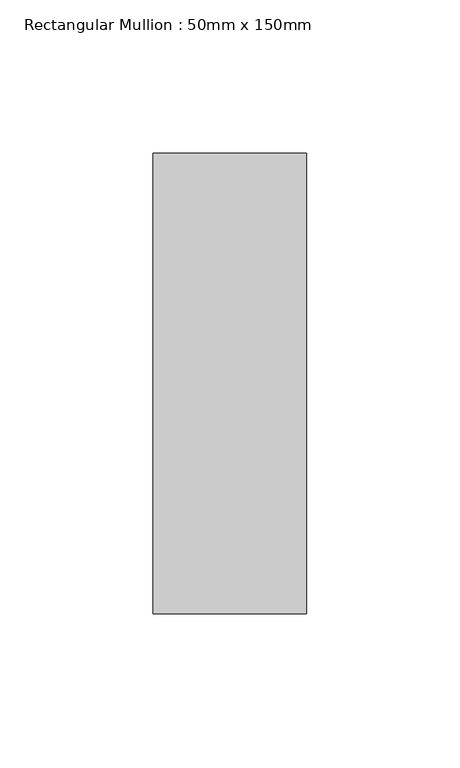
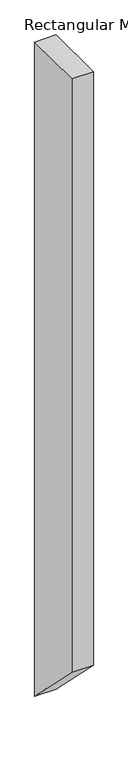
"""IFC4 building model written with IfcOpenShell, lengths in millimetres: member geometry, Rectangular Mullion : 50mm x 150mm."""

from ifc_helpers import new_model, si_unit, frame, origin, place, context, project, spatial, polyline, outline, extrude, source, transform, mapped, element, save


def rectangular_mullion_50mm_x_150mm_59bf15be(model_context):
    return source(origin(), model_context, "Body", "SweptSolid", [
        extrude(outline(polyline([(-75.0, 0.0), (75.0, 0.0), (75.0, -1610.0), (-75.0, -1460.0), (-75.0, 0.0)])), frame((-50.0, 0.0, 0.0), z_axis=(1.0, 0.0, 0.0), x_axis=(0.0, 1.0, 0.0)), (0.0, 0.0, 1.0), 50.0),
    ])


if __name__ == "__main__":
    model = new_model("IFC4")
    model_context = context("Model", 3, world=origin())
    ifc_project = project(units=[si_unit("LENGTHUNIT", "METRE", prefix="MILLI")], contexts=[model_context])
    site = spatial("IfcSite", under=ifc_project)
    building = spatial("IfcBuilding", under=site)
    placement = place(None, origin())
    rectangular_mullion_50mm_x_150mm_shape = rectangular_mullion_50mm_x_150mm_59bf15be(model_context)
    element("IfcMember", 1, ObjectType="Rectangular Mullion : 50mm x 150mm", at=placement, inside=building, context=model_context, shape_type="MappedRepresentation", body=[
        mapped(rectangular_mullion_50mm_x_150mm_shape, transform((0.0, 0.0, 0.0), x_axis=(1.0, 0.0, 0.0), y_axis=(0.0, 1.0, 0.0), z_axis=(0.0, 0.0, 1.0))),
    ])
    save(model, "model.ifc")
